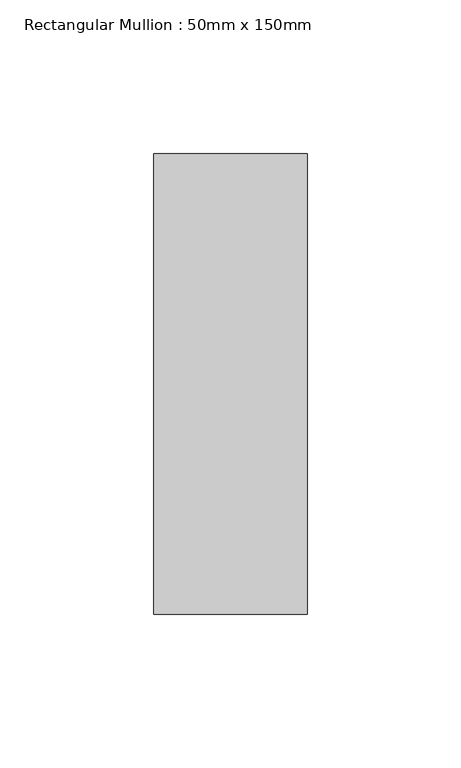
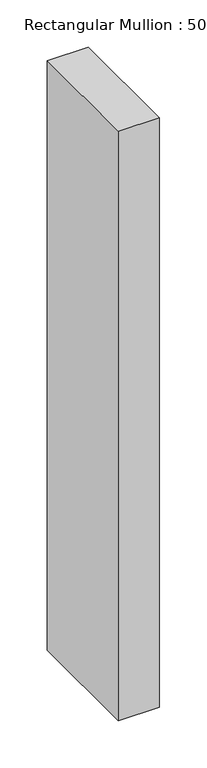
"""IFC4 building model written with IfcOpenShell, lengths in millimetres: member geometry, Rectangular Mullion : 50mm x 150mm."""

from ifc_helpers import new_model, si_unit, frame, origin, place, context, project, spatial, polyline, outline, extrude, source, transform, mapped, element, save


def rectangular_mullion_50mm_x_150mm_37a4310a(model_context):
    return source(origin(), model_context, "Body", "SweptSolid", [
        extrude(outline(polyline([(0.0, 75.0), (0.0, -75.0), (-50.0, -75.0), (-50.0, 75.0), (0.0, 75.0)])), frame((0.0, 0.0, -760.0), z_axis=(0.0, 0.0, 1.0), x_axis=(1.0, 0.0, 0.0)), (0.0, 0.0, 1.0), 760.0),
    ])


if __name__ == "__main__":
    model = new_model("IFC4")
    model_context = context("Model", 3, world=origin())
    ifc_project = project(units=[si_unit("LENGTHUNIT", "METRE", prefix="MILLI")], contexts=[model_context])
    site = spatial("IfcSite", under=ifc_project)
    building = spatial("IfcBuilding", under=site)
    placement = place(None, origin())
    rectangular_mullion_50mm_x_150mm_shape = rectangular_mullion_50mm_x_150mm_37a4310a(model_context)
    element("IfcMember", 1, ObjectType="Rectangular Mullion : 50mm x 150mm", at=placement, inside=building, context=model_context, shape_type="MappedRepresentation", body=[
        mapped(rectangular_mullion_50mm_x_150mm_shape, transform((0.0, 0.0, 0.0), x_axis=(1.0, 0.0, 0.0), y_axis=(0.0, 1.0, 0.0), z_axis=(0.0, 0.0, 1.0))),
    ])
    save(model, "model.ifc")
